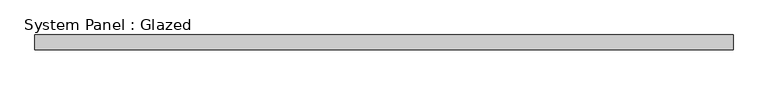
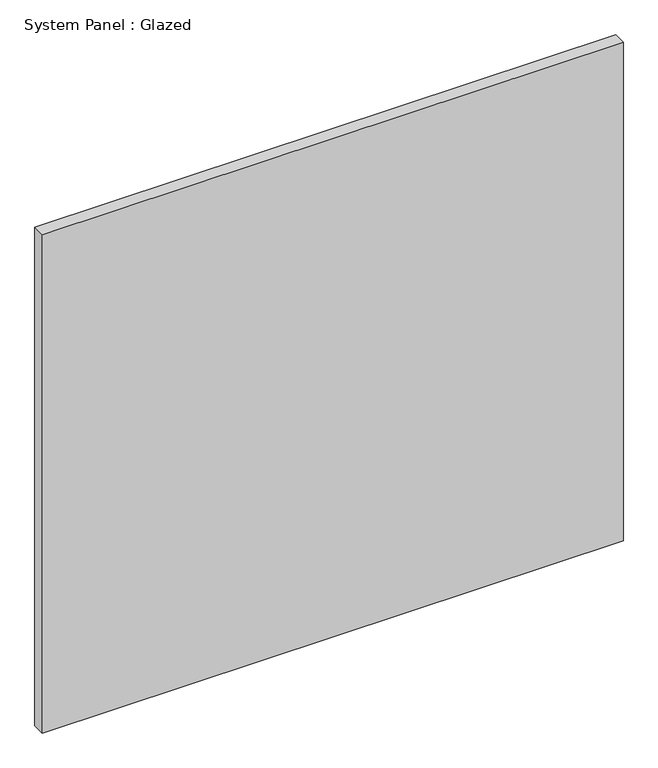
"""IFC4 building model written with IfcOpenShell, lengths in millimetres: plate geometry, System Panel : Glazed."""

from ifc_helpers import new_model, si_unit, origin, origin_with_axes, place, context, project, spatial, polyline, outline, extrude, source, transform, mapped, element, save


def system_panel_glazed_7b77b40d(model_context):
    return source(origin(), model_context, "Body", "SweptSolid", [
        extrude(outline(polyline([(588.4333333, -12.7), (-588.4333333, -12.7), (-588.4333333, 12.7), (588.4333333, 12.7), (588.4333333, -12.7)])), origin_with_axes(), (0.0, 0.0, 1.0), 1066.8),
    ])


if __name__ == "__main__":
    model = new_model("IFC4")
    model_context = context("Model", 3, world=origin())
    ifc_project = project(units=[si_unit("LENGTHUNIT", "METRE", prefix="MILLI")], contexts=[model_context])
    site = spatial("IfcSite", under=ifc_project)
    building = spatial("IfcBuilding", under=site)
    placement = place(None, origin())
    system_panel_glazed_shape = system_panel_glazed_7b77b40d(model_context)
    element("IfcPlate", 1, ObjectType="System Panel : Glazed", at=placement, inside=building, context=model_context, shape_type="MappedRepresentation", body=[
        mapped(system_panel_glazed_shape, transform((0.0, 0.0, 0.0), x_axis=(1.0, 0.0, 0.0), y_axis=(0.0, 1.0, 0.0), z_axis=(0.0, 0.0, 1.0))),
    ])
    save(model, "model.ifc")
